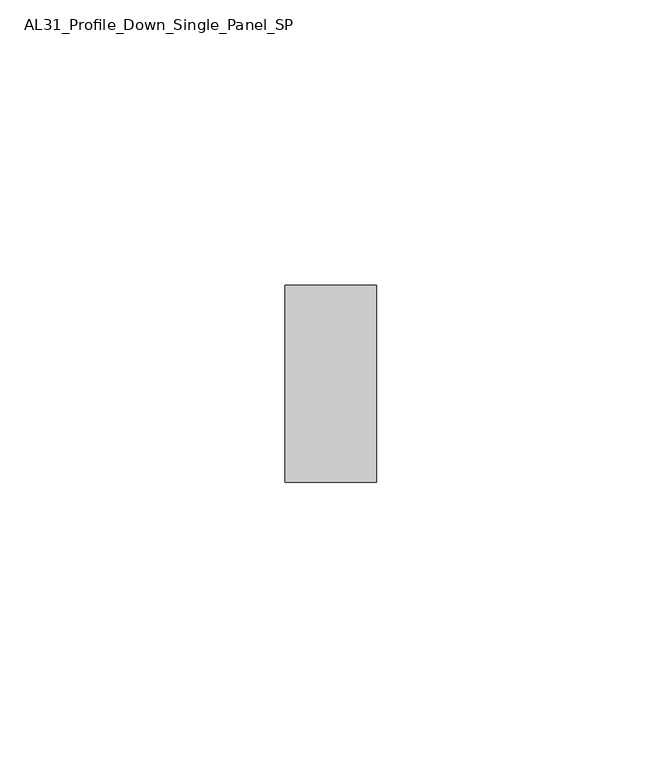
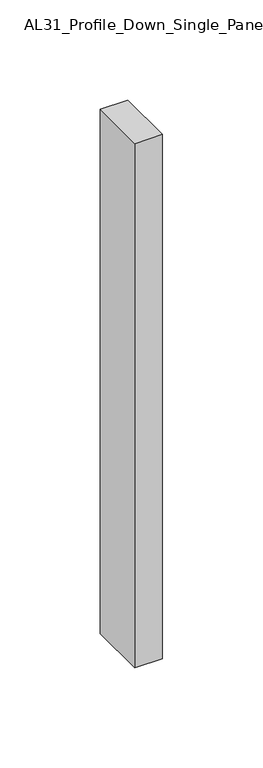
"""IFC4 building model written with IfcOpenShell, lengths in millimetres: member geometry, AL31_Profile_Down_Single_Panel_SP."""

from ifc_helpers import new_model, si_unit, frame, origin, place, context, project, spatial, polyline, outline, extrude, source, transform, mapped, element, save


def al31_profile_down_single_panel_sp_be1e16c5(model_context):
    return source(origin(), model_context, "Body", "SweptSolid", [
        extrude(outline(polyline([(0.0, -17.25), (-16.0, -17.25), (-16.0, 17.25), (0.0, 17.25), (0.0, -17.25)])), frame((0.0, 0.0, -319.6397368), z_axis=(0.0, 0.0, 1.0), x_axis=(1.0, 0.0, 0.0)), (0.0, 0.0, 1.0), 319.6397368),
    ])


if __name__ == "__main__":
    model = new_model("IFC4")
    model_context = context("Model", 3, world=origin())
    ifc_project = project(units=[si_unit("LENGTHUNIT", "METRE", prefix="MILLI")], contexts=[model_context])
    site = spatial("IfcSite", under=ifc_project)
    building = spatial("IfcBuilding", under=site)
    placement = place(None, origin())
    al31_profile_down_single_panel_sp_shape = al31_profile_down_single_panel_sp_be1e16c5(model_context)
    element("IfcMember", 1, ObjectType="AL31_Profile_Down_Single_Panel_SP", at=placement, inside=building, context=model_context, shape_type="MappedRepresentation", body=[
        mapped(al31_profile_down_single_panel_sp_shape, transform((0.0, 0.0, 0.0), x_axis=(1.0, 0.0, 0.0), y_axis=(0.0, 1.0, 0.0), z_axis=(0.0, 0.0, 1.0))),
    ])
    save(model, "model.ifc")
